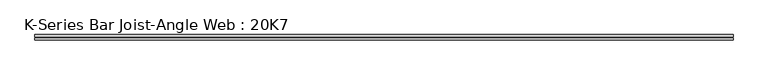
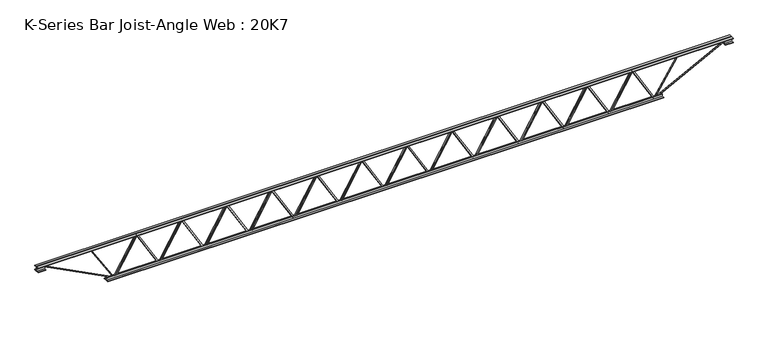
"""IFC4 building model written with IfcOpenShell, lengths in millimetres: beam geometry, K-Series Bar Joist-Angle Web : 20K7."""

from ifc_helpers import new_model, si_unit, frame, origin, place, context, project, spatial, polyline, outline, extrude, faceted_brep, source, transform, mapped, element, save


def k_series_bar_joist_angle_web_20k7_9dc09622(model_context):
    return source(origin(), model_context, "Body", "SolidModel", [
        extrude(outline(polyline([(-4.7625, 4.7625), (-4.7625, 0.0), (-17.4625, 0.0), (-17.4625, 4.7625), (-4.7625, 4.7625)])), frame((2931.0070269, 0.0, -215.9), z_axis=(-0.5066895930677895, 0.0, 0.8621285613391995), x_axis=(0.0, -1.0, 0.0)), (0.0, 0.0, 1.0), 500.8533754),
        extrude(outline(polyline([(-250.825, 2963.3333333), (-231.775, 2963.3333333), (-231.775, 2962.4335432), (250.825, 2678.8002099), (250.825, 2660.65), (231.775, 2660.65), (231.775, 2667.8997901), (-250.825, 2951.5331234), (-250.825, 2963.3333333)])), frame((0.0, 0.0, 0.0), z_axis=(0.0, 1.0, 0.0), x_axis=(0.0, 0.0, 1.0)), (0.0, 0.0, 1.0), 4.7625),
        faceted_brep([(2370.6666667, 0.0, -231.775), (2370.6666667, 0.0, -250.825), (2370.6666667, -4.7625, -250.825), (2370.6666667, -4.7625, -231.775), (2371.5664568, 0.0, -231.775), (2655.1997901, 0.0, 250.825), (2673.35, 0.0, 250.825), (2673.35, 0.0, 231.775), (2666.1002099, 0.0, 231.775), (2382.4668766, 0.0, -250.825), (2382.4668766, -4.7625, -250.825), (2402.9929731, -4.7625, -215.9), (2398.8870858, -4.7625, -213.4868908), (2652.6642788, -4.7625, 218.3131092), (2656.770166, -4.7625, 215.9), (2666.1002099, -4.7625, 231.775), (2673.35, -4.7625, 231.775), (2673.35, -4.7625, 250.825), (2655.1997901, -4.7625, 250.825), (2371.5664568, -4.7625, -231.775), (2656.770166, -17.4625, 215.9), (2402.9929731, -17.4625, -215.9), (2398.8870858, -17.4625, -213.4868908), (2652.6642788, -17.4625, 218.3131092)], [[[0, 1, 2, 3]], [[1, 0, 4, 5, 6, 7, 8, 9]], [[2, 1, 9, 10]], [[3, 2, 10, 11, 12, 13, 14, 15, 16, 17, 18, 19]], [[0, 3, 19, 4]], [[9, 8, 15, 14, 20, 21, 11, 10]], [[5, 4, 19, 18]], [[7, 6, 17, 16]], [[8, 7, 16, 15]], [[6, 5, 18, 17]], [[21, 22, 12, 11]], [[20, 14, 13, 23]], [[22, 21, 20, 23]], [[12, 22, 23, 13]]]),
        extrude(outline(polyline([(-4.7625, 4.7624999), (-4.7625, 0.0), (-17.4625, 0.0), (-17.4625, 4.7624999), (-4.7625, 4.7624999)])), frame((2338.3403603, 0.0, -215.9), z_axis=(-0.5066895930677895, 0.0, 0.8621285613391995), x_axis=(0.0, -1.0, 0.0)), (0.0, 0.0, 1.0), 500.8533754),
        extrude(outline(polyline([(-250.825, 2370.6666667), (-231.775, 2370.6666667), (-231.775, 2369.7668766), (250.825, 2086.1335432), (250.825, 2067.9833333), (231.775, 2067.9833333), (231.775, 2075.2331234), (-250.825, 2358.8664568), (-250.825, 2370.6666667)])), frame((0.0, 0.0, 0.0), z_axis=(0.0, 1.0, 0.0), x_axis=(0.0, 0.0, 1.0)), (0.0, 0.0, 1.0), 4.7625),
        faceted_brep([(1778.0, 0.0, -231.775), (1778.0, 0.0, -250.825), (1778.0, -4.7625, -250.825), (1778.0, -4.7625, -231.775), (1778.8997901, 0.0, -231.775), (2062.5331234, 0.0, 250.825), (2080.6833333, 0.0, 250.825), (2080.6833333, 0.0, 231.775), (2073.4335432, 0.0, 231.775), (1789.8002099, 0.0, -250.825), (1789.8002099, -4.7625, -250.825), (1810.3263064, -4.7625, -215.9), (1806.2204191, -4.7625, -213.4868908), (2059.9976121, -4.7625, 218.3131092), (2064.1034994, -4.7625, 215.9), (2073.4335432, -4.7625, 231.775), (2080.6833333, -4.7625, 231.775), (2080.6833333, -4.7625, 250.825), (2062.5331234, -4.7625, 250.825), (1778.8997901, -4.7625, -231.775), (2064.1034994, -17.4625, 215.9), (1810.3263064, -17.4625, -215.9), (1806.2204191, -17.4625, -213.4868908), (2059.9976121, -17.4625, 218.3131092)], [[[0, 1, 2, 3]], [[1, 0, 4, 5, 6, 7, 8, 9]], [[2, 1, 9, 10]], [[3, 2, 10, 11, 12, 13, 14, 15, 16, 17, 18, 19]], [[0, 3, 19, 4]], [[9, 8, 15, 14, 20, 21, 11, 10]], [[5, 4, 19, 18]], [[7, 6, 17, 16]], [[8, 7, 16, 15]], [[6, 5, 18, 17]], [[21, 22, 12, 11]], [[20, 14, 13, 23]], [[22, 21, 20, 23]], [[12, 22, 23, 13]]]),
        extrude(outline(polyline([(-4.7625, 4.7625), (-4.7625, 0.0), (-17.4625, 0.0), (-17.4625, 4.7625), (-4.7625, 4.7625)])), frame((1745.6736936, 0.0, -215.9), z_axis=(-0.5066895930677895, 0.0, 0.8621285613391995), x_axis=(0.0, -1.0, 0.0)), (0.0, 0.0, 1.0), 500.8533754),
        extrude(outline(polyline([(-250.825, 1778.0), (-231.775, 1778.0), (-231.775, 1777.1002099), (250.825, 1493.4668766), (250.825, 1475.3166667), (231.775, 1475.3166667), (231.775, 1482.5664568), (-250.825, 1766.1997901), (-250.825, 1778.0)])), frame((0.0, 0.0, 0.0), z_axis=(0.0, 1.0, 0.0), x_axis=(0.0, 0.0, 1.0)), (0.0, 0.0, 1.0), 4.7625),
        faceted_brep([(1185.3333333, 0.0, -231.775), (1185.3333333, 0.0, -250.825), (1185.3333333, -4.7625, -250.825), (1185.3333333, -4.7625, -231.775), (1186.2331234, 0.0, -231.775), (1469.8664568, 0.0, 250.825), (1488.0166667, 0.0, 250.825), (1488.0166667, 0.0, 231.775), (1480.7668766, 0.0, 231.775), (1197.1335432, 0.0, -250.825), (1197.1335432, -4.7625, -250.825), (1217.6596397, -4.7625, -215.9), (1213.5537525, -4.7625, -213.4868908), (1467.3309454, -4.7625, 218.3131092), (1471.4368327, -4.7625, 215.9), (1480.7668766, -4.7625, 231.775), (1488.0166667, -4.7625, 231.775), (1488.0166667, -4.7625, 250.825), (1469.8664568, -4.7625, 250.825), (1186.2331234, -4.7625, -231.775), (1471.4368327, -17.4625, 215.9), (1217.6596397, -17.4625, -215.9), (1213.5537525, -17.4625, -213.4868908), (1467.3309454, -17.4625, 218.3131092)], [[[0, 1, 2, 3]], [[1, 0, 4, 5, 6, 7, 8, 9]], [[2, 1, 9, 10]], [[3, 2, 10, 11, 12, 13, 14, 15, 16, 17, 18, 19]], [[0, 3, 19, 4]], [[9, 8, 15, 14, 20, 21, 11, 10]], [[5, 4, 19, 18]], [[7, 6, 17, 16]], [[8, 7, 16, 15]], [[6, 5, 18, 17]], [[21, 22, 12, 11]], [[20, 14, 13, 23]], [[22, 21, 20, 23]], [[12, 22, 23, 13]]]),
        extrude(outline(polyline([(-4.7625, 4.7625), (-4.7625, 0.0), (-17.4625, 0.0), (-17.4625, 4.7625), (-4.7625, 4.7625)])), frame((1153.0070269, 0.0, -215.9), z_axis=(-0.5066895930677895, 0.0, 0.8621285613391995), x_axis=(0.0, -1.0, 0.0)), (0.0, 0.0, 1.0), 500.8533754),
        extrude(outline(polyline([(-250.825, 1185.3333333), (-231.775, 1185.3333333), (-231.775, 1184.4335432), (250.825, 900.8002099), (250.825, 882.65), (231.775, 882.65), (231.775, 889.8997901), (-250.825, 1173.5331234), (-250.825, 1185.3333333)])), frame((0.0, 0.0, 0.0), z_axis=(0.0, 1.0, 0.0), x_axis=(0.0, 0.0, 1.0)), (0.0, 0.0, 1.0), 4.7625),
        faceted_brep([(592.6666667, 0.0, -231.775), (592.6666667, 0.0, -250.825), (592.6666667, -4.7625, -250.825), (592.6666667, -4.7625, -231.775), (593.5664568, 0.0, -231.775), (877.1997901, 0.0, 250.825), (895.35, 0.0, 250.825), (895.35, 0.0, 231.775), (888.1002099, 0.0, 231.775), (604.4668766, 0.0, -250.825), (604.4668766, -4.7625, -250.825), (624.9929731, -4.7625, -215.9), (620.8870858, -4.7625, -213.4868908), (874.6642788, -4.7625, 218.3131092), (878.770166, -4.7625, 215.9), (888.1002099, -4.7625, 231.775), (895.35, -4.7625, 231.775), (895.35, -4.7625, 250.825), (877.1997901, -4.7625, 250.825), (593.5664568, -4.7625, -231.775), (878.770166, -17.4625, 215.9), (624.9929731, -17.4625, -215.9), (620.8870858, -17.4625, -213.4868908), (874.6642788, -17.4625, 218.3131092)], [[[0, 1, 2, 3]], [[1, 0, 4, 5, 6, 7, 8, 9]], [[2, 1, 9, 10]], [[3, 2, 10, 11, 12, 13, 14, 15, 16, 17, 18, 19]], [[0, 3, 19, 4]], [[9, 8, 15, 14, 20, 21, 11, 10]], [[5, 4, 19, 18]], [[7, 6, 17, 16]], [[8, 7, 16, 15]], [[6, 5, 18, 17]], [[21, 22, 12, 11]], [[20, 14, 13, 23]], [[22, 21, 20, 23]], [[12, 22, 23, 13]]]),
        extrude(outline(polyline([(-4.7625, 4.7624999), (-4.7625, 0.0), (-17.4625, 0.0), (-17.4625, 4.7624999), (-4.7625, 4.7624999)])), frame((560.3403603, 0.0, -215.9), z_axis=(-0.5066895930677895, 0.0, 0.8621285613391995), x_axis=(0.0, -1.0, 0.0)), (0.0, 0.0, 1.0), 500.8533754),
        extrude(outline(polyline([(-250.825, 592.6666667), (-231.775, 592.6666667), (-231.775, 591.7668766), (250.825, 308.1335432), (250.825, 289.9833333), (231.775, 289.9833333), (231.775, 297.2331234), (-250.825, 580.8664568), (-250.825, 592.6666667)])), frame((0.0, 0.0, 0.0), z_axis=(0.0, 1.0, 0.0), x_axis=(0.0, 0.0, 1.0)), (0.0, 0.0, 1.0), 4.7625),
        faceted_brep([(0.0, 0.0, -231.775), (0.0, 0.0, -250.825), (0.0, -4.7625, -250.825), (0.0, -4.7625, -231.775), (0.8997901, 0.0, -231.775), (284.5331234, 0.0, 250.825), (302.6833333, 0.0, 250.825), (302.6833333, 0.0, 231.775), (295.4335432, 0.0, 231.775), (11.8002099, 0.0, -250.825), (11.8002099, -4.7625, -250.825), (32.3263064, -4.7625, -215.9), (28.2204191, -4.7625, -213.4868908), (281.9976121, -4.7625, 218.3131092), (286.1034994, -4.7625, 215.9), (295.4335432, -4.7625, 231.775), (302.6833333, -4.7625, 231.775), (302.6833333, -4.7625, 250.825), (284.5331234, -4.7625, 250.825), (0.8997901, -4.7625, -231.775), (286.1034994, -17.4625, 215.9), (32.3263064, -17.4625, -215.9), (28.2204191, -17.4625, -213.4868908), (281.9976121, -17.4625, 218.3131092)], [[[0, 1, 2, 3]], [[1, 0, 4, 5, 6, 7, 8, 9]], [[2, 1, 9, 10]], [[3, 2, 10, 11, 12, 13, 14, 15, 16, 17, 18, 19]], [[0, 3, 19, 4]], [[9, 8, 15, 14, 20, 21, 11, 10]], [[5, 4, 19, 18]], [[7, 6, 17, 16]], [[8, 7, 16, 15]], [[6, 5, 18, 17]], [[21, 22, 12, 11]], [[20, 14, 13, 23]], [[22, 21, 20, 23]], [[12, 22, 23, 13]]]),
        extrude(outline(polyline([(-4.7625, 4.7625), (-4.7625, 0.0), (-17.4625, 0.0), (-17.4625, 4.7625), (-4.7625, 4.7625)])), frame((-32.3263064, 0.0, -215.9), z_axis=(-0.5066895930677895, 0.0, 0.8621285613391995), x_axis=(0.0, -1.0, 0.0)), (0.0, 0.0, 1.0), 500.8533754),
        extrude(outline(polyline([(-250.825, 0.0), (-231.775, 0.0), (-231.775, -0.8997901), (250.825, -284.5331234), (250.825, -302.6833333), (231.775, -302.6833333), (231.775, -295.4335432), (-250.825, -11.8002099), (-250.825, 0.0)])), frame((0.0, 0.0, 0.0), z_axis=(0.0, 1.0, 0.0), x_axis=(0.0, 0.0, 1.0)), (0.0, 0.0, 1.0), 4.7625),
        faceted_brep([(-592.6666667, 0.0, -231.775), (-592.6666667, 0.0, -250.825), (-592.6666667, -4.7625, -250.825), (-592.6666667, -4.7625, -231.775), (-591.7668766, 0.0, -231.775), (-308.1335432, 0.0, 250.825), (-289.9833333, 0.0, 250.825), (-289.9833333, 0.0, 231.775), (-297.2331234, 0.0, 231.775), (-580.8664568, 0.0, -250.825), (-580.8664568, -4.7625, -250.825), (-560.3403603, -4.7625, -215.9), (-564.4462475, -4.7625, -213.4868908), (-310.6690546, -4.7625, 218.3131092), (-306.5631673, -4.7625, 215.9), (-297.2331234, -4.7625, 231.775), (-289.9833333, -4.7625, 231.775), (-289.9833333, -4.7625, 250.825), (-308.1335432, -4.7625, 250.825), (-591.7668766, -4.7625, -231.775), (-306.5631673, -17.4625, 215.9), (-560.3403603, -17.4625, -215.9), (-564.4462475, -17.4625, -213.4868908), (-310.6690546, -17.4625, 218.3131092)], [[[0, 1, 2, 3]], [[1, 0, 4, 5, 6, 7, 8, 9]], [[2, 1, 9, 10]], [[3, 2, 10, 11, 12, 13, 14, 15, 16, 17, 18, 19]], [[0, 3, 19, 4]], [[9, 8, 15, 14, 20, 21, 11, 10]], [[5, 4, 19, 18]], [[7, 6, 17, 16]], [[8, 7, 16, 15]], [[6, 5, 18, 17]], [[21, 22, 12, 11]], [[20, 14, 13, 23]], [[22, 21, 20, 23]], [[12, 22, 23, 13]]]),
        extrude(outline(polyline([(-4.7625, 4.7625), (-4.7625, 0.0), (-17.4625, 0.0), (-17.4625, 4.7625), (-4.7625, 4.7625)])), frame((-624.9929731, 0.0, -215.9), z_axis=(-0.5066895930677895, 0.0, 0.8621285613391995), x_axis=(0.0, -1.0, 0.0)), (0.0, 0.0, 1.0), 500.8533754),
        extrude(outline(polyline([(-250.825, -592.6666667), (-231.775, -592.6666667), (-231.775, -593.5664568), (250.825, -877.1997901), (250.825, -895.35), (231.775, -895.35), (231.775, -888.1002099), (-250.825, -604.4668766), (-250.825, -592.6666667)])), frame((0.0, 0.0, 0.0), z_axis=(0.0, 1.0, 0.0), x_axis=(0.0, 0.0, 1.0)), (0.0, 0.0, 1.0), 4.7625),
        faceted_brep([(-1185.3333333, 0.0, -231.775), (-1185.3333333, 0.0, -250.825), (-1185.3333333, -4.7625, -250.825), (-1185.3333333, -4.7625, -231.775), (-1184.4335432, 0.0, -231.775), (-900.8002099, 0.0, 250.825), (-882.65, 0.0, 250.825), (-882.65, 0.0, 231.775), (-889.8997901, 0.0, 231.775), (-1173.5331234, 0.0, -250.825), (-1173.5331234, -4.7625, -250.825), (-1153.0070269, -4.7625, -215.9), (-1157.1129142, -4.7625, -213.4868908), (-903.3357212, -4.7625, 218.3131092), (-899.229834, -4.7625, 215.9), (-889.8997901, -4.7625, 231.775), (-882.65, -4.7625, 231.775), (-882.65, -4.7625, 250.825), (-900.8002099, -4.7625, 250.825), (-1184.4335432, -4.7625, -231.775), (-899.229834, -17.4625, 215.9), (-1153.0070269, -17.4625, -215.9), (-1157.1129142, -17.4625, -213.4868908), (-903.3357212, -17.4625, 218.3131092)], [[[0, 1, 2, 3]], [[1, 0, 4, 5, 6, 7, 8, 9]], [[2, 1, 9, 10]], [[3, 2, 10, 11, 12, 13, 14, 15, 16, 17, 18, 19]], [[0, 3, 19, 4]], [[9, 8, 15, 14, 20, 21, 11, 10]], [[5, 4, 19, 18]], [[7, 6, 17, 16]], [[8, 7, 16, 15]], [[6, 5, 18, 17]], [[21, 22, 12, 11]], [[20, 14, 13, 23]], [[22, 21, 20, 23]], [[12, 22, 23, 13]]]),
        extrude(outline(polyline([(-4.7625, 4.7624999), (-4.7625, 0.0), (-17.4625, 0.0), (-17.4625, 4.7624999), (-4.7625, 4.7624999)])), frame((-1217.6596397, 0.0, -215.9), z_axis=(-0.5066895930677895, 0.0, 0.8621285613391995), x_axis=(0.0, -1.0, 0.0)), (0.0, 0.0, 1.0), 500.8533754),
        extrude(outline(polyline([(-250.825, -1185.3333333), (-231.775, -1185.3333333), (-231.775, -1186.2331234), (250.825, -1469.8664568), (250.825, -1488.0166667), (231.775, -1488.0166667), (231.775, -1480.7668766), (-250.825, -1197.1335432), (-250.825, -1185.3333333)])), frame((0.0, 0.0, 0.0), z_axis=(0.0, 1.0, 0.0), x_axis=(0.0, 0.0, 1.0)), (0.0, 0.0, 1.0), 4.7625),
        faceted_brep([(-1778.0, 0.0, -231.775), (-1778.0, 0.0, -250.825), (-1778.0, -4.7625, -250.825), (-1778.0, -4.7625, -231.775), (-1777.1002099, 0.0, -231.775), (-1493.4668766, 0.0, 250.825), (-1475.3166667, 0.0, 250.825), (-1475.3166667, 0.0, 231.775), (-1482.5664568, 0.0, 231.775), (-1766.1997901, 0.0, -250.825), (-1766.1997901, -4.7625, -250.825), (-1745.6736936, -4.7625, -215.9), (-1749.7795809, -4.7625, -213.4868908), (-1496.0023879, -4.7625, 218.3131092), (-1491.8965006, -4.7625, 215.9), (-1482.5664568, -4.7625, 231.775), (-1475.3166667, -4.7625, 231.775), (-1475.3166667, -4.7625, 250.825), (-1493.4668766, -4.7625, 250.825), (-1777.1002099, -4.7625, -231.775), (-1491.8965006, -17.4625, 215.9), (-1745.6736936, -17.4625, -215.9), (-1749.7795809, -17.4625, -213.4868908), (-1496.0023879, -17.4625, 218.3131092)], [[[0, 1, 2, 3]], [[1, 0, 4, 5, 6, 7, 8, 9]], [[2, 1, 9, 10]], [[3, 2, 10, 11, 12, 13, 14, 15, 16, 17, 18, 19]], [[0, 3, 19, 4]], [[9, 8, 15, 14, 20, 21, 11, 10]], [[5, 4, 19, 18]], [[7, 6, 17, 16]], [[8, 7, 16, 15]], [[6, 5, 18, 17]], [[21, 22, 12, 11]], [[20, 14, 13, 23]], [[22, 21, 20, 23]], [[12, 22, 23, 13]]]),
        extrude(outline(polyline([(-4.7625, 4.7625), (-4.7625, 0.0), (-17.4625, 0.0), (-17.4625, 4.7625), (-4.7625, 4.7625)])), frame((-1810.3263064, 0.0, -215.9), z_axis=(-0.5066895930677895, 0.0, 0.8621285613391995), x_axis=(0.0, -1.0, 0.0)), (0.0, 0.0, 1.0), 500.8533754),
        extrude(outline(polyline([(-250.825, -1778.0), (-231.775, -1778.0), (-231.775, -1778.8997901), (250.825, -2062.5331234), (250.825, -2080.6833333), (231.775, -2080.6833333), (231.775, -2073.4335432), (-250.825, -1789.8002099), (-250.825, -1778.0)])), frame((0.0, 0.0, 0.0), z_axis=(0.0, 1.0, 0.0), x_axis=(0.0, 0.0, 1.0)), (0.0, 0.0, 1.0), 4.7625),
        faceted_brep([(-2370.6666667, 0.0, -231.775), (-2370.6666667, 0.0, -250.825), (-2370.6666667, -4.7625, -250.825), (-2370.6666667, -4.7625, -231.775), (-2369.7668766, 0.0, -231.775), (-2086.1335432, 0.0, 250.825), (-2067.9833333, 0.0, 250.825), (-2067.9833333, 0.0, 231.775), (-2075.2331234, 0.0, 231.775), (-2358.8664568, 0.0, -250.825), (-2358.8664568, -4.7625, -250.825), (-2338.3403603, -4.7625, -215.9), (-2342.4462475, -4.7625, -213.4868908), (-2088.6690546, -4.7625, 218.3131092), (-2084.5631673, -4.7625, 215.9), (-2075.2331234, -4.7625, 231.775), (-2067.9833333, -4.7625, 231.775), (-2067.9833333, -4.7625, 250.825), (-2086.1335432, -4.7625, 250.825), (-2369.7668766, -4.7625, -231.775), (-2084.5631673, -17.4625, 215.9), (-2338.3403603, -17.4625, -215.9), (-2342.4462475, -17.4625, -213.4868908), (-2088.6690546, -17.4625, 218.3131092)], [[[0, 1, 2, 3]], [[1, 0, 4, 5, 6, 7, 8, 9]], [[2, 1, 9, 10]], [[3, 2, 10, 11, 12, 13, 14, 15, 16, 17, 18, 19]], [[0, 3, 19, 4]], [[9, 8, 15, 14, 20, 21, 11, 10]], [[5, 4, 19, 18]], [[7, 6, 17, 16]], [[8, 7, 16, 15]], [[6, 5, 18, 17]], [[21, 22, 12, 11]], [[20, 14, 13, 23]], [[22, 21, 20, 23]], [[12, 22, 23, 13]]]),
        extrude(outline(polyline([(-4.7625, 4.7625), (-4.7625, 0.0), (-17.4625, 0.0), (-17.4625, 4.7625), (-4.7625, 4.7625)])), frame((-2402.9929731, 0.0, -215.9), z_axis=(-0.5066895930677895, 0.0, 0.8621285613391995), x_axis=(0.0, -1.0, 0.0)), (0.0, 0.0, 1.0), 500.8533754),
        extrude(outline(polyline([(-250.825, -2370.6666667), (-231.775, -2370.6666667), (-231.775, -2371.5664568), (250.825, -2655.1997901), (250.825, -2673.35), (231.775, -2673.35), (231.775, -2666.1002099), (-250.825, -2382.4668766), (-250.825, -2370.6666667)])), frame((0.0, 0.0, 0.0), z_axis=(0.0, 1.0, 0.0), x_axis=(0.0, 0.0, 1.0)), (0.0, 0.0, 1.0), 4.7625),
        faceted_brep([(-2963.3333333, 0.0, -231.775), (-2963.3333333, 0.0, -250.825), (-2963.3333333, -4.7625, -250.825), (-2963.3333333, -4.7625, -231.775), (-2962.4335432, 0.0, -231.775), (-2678.8002099, 0.0, 250.825), (-2660.65, 0.0, 250.825), (-2660.65, 0.0, 231.775), (-2667.8997901, 0.0, 231.775), (-2951.5331234, 0.0, -250.825), (-2951.5331234, -4.7625, -250.825), (-2931.0070269, -4.7625, -215.9), (-2935.1129142, -4.7625, -213.4868908), (-2681.3357212, -4.7625, 218.3131092), (-2677.229834, -4.7625, 215.9), (-2667.8997901, -4.7625, 231.775), (-2660.65, -4.7625, 231.775), (-2660.65, -4.7625, 250.825), (-2678.8002099, -4.7625, 250.825), (-2962.4335432, -4.7625, -231.775), (-2677.229834, -17.4625, 215.9), (-2931.0070269, -17.4625, -215.9), (-2935.1129142, -17.4625, -213.4868908), (-2681.3357212, -17.4625, 218.3131092)], [[[0, 1, 2, 3]], [[1, 0, 4, 5, 6, 7, 8, 9]], [[2, 1, 9, 10]], [[3, 2, 10, 11, 12, 13, 14, 15, 16, 17, 18, 19]], [[0, 3, 19, 4]], [[9, 8, 15, 14, 20, 21, 11, 10]], [[5, 4, 19, 18]], [[7, 6, 17, 16]], [[8, 7, 16, 15]], [[6, 5, 18, 17]], [[21, 22, 12, 11]], [[20, 14, 13, 23]], [[22, 21, 20, 23]], [[12, 22, 23, 13]]]),
        extrude(outline(polyline([(-4.7625, 4.7625), (-4.7625, 0.0), (-17.4625, 0.0), (-17.4625, 4.7625), (-4.7625, 4.7625)])), frame((3523.6736936, 0.0, -215.9), z_axis=(-0.5066895930677895, 0.0, 0.8621285613391995), x_axis=(0.0, -1.0, 0.0)), (0.0, 0.0, 1.0), 500.8533754),
        extrude(outline(polyline([(-250.825, 3556.0), (-231.775, 3556.0), (-231.775, 3555.1002099), (250.825, 3271.4668766), (250.825, 3253.3166667), (231.775, 3253.3166667), (231.775, 3260.5664568), (-250.825, 3544.1997901), (-250.825, 3556.0)])), frame((0.0, 0.0, 0.0), z_axis=(0.0, 1.0, 0.0), x_axis=(0.0, 0.0, 1.0)), (0.0, 0.0, 1.0), 4.7625),
        faceted_brep([(2963.3333333, 0.0, -231.775), (2963.3333333, 0.0, -250.825), (2963.3333333, -4.7625, -250.825), (2963.3333333, -4.7625, -231.775), (2964.2331234, 0.0, -231.775), (3247.8664568, 0.0, 250.825), (3266.0166667, 0.0, 250.825), (3266.0166667, 0.0, 231.775), (3258.7668766, 0.0, 231.775), (2975.1335432, 0.0, -250.825), (2975.1335432, -4.7625, -250.825), (2995.6596397, -4.7625, -215.9), (2991.5537525, -4.7625, -213.4868908), (3245.3309454, -4.7625, 218.3131092), (3249.4368327, -4.7625, 215.9), (3258.7668766, -4.7625, 231.775), (3266.0166667, -4.7625, 231.775), (3266.0166667, -4.7625, 250.825), (3247.8664568, -4.7625, 250.825), (2964.2331234, -4.7625, -231.775), (3249.4368327, -17.4625, 215.9), (2995.6596397, -17.4625, -215.9), (2991.5537525, -17.4625, -213.4868908), (3245.3309454, -17.4625, 218.3131092)], [[[0, 1, 2, 3]], [[1, 0, 4, 5, 6, 7, 8, 9]], [[2, 1, 9, 10]], [[3, 2, 10, 11, 12, 13, 14, 15, 16, 17, 18, 19]], [[0, 3, 19, 4]], [[9, 8, 15, 14, 20, 21, 11, 10]], [[5, 4, 19, 18]], [[7, 6, 17, 16]], [[8, 7, 16, 15]], [[6, 5, 18, 17]], [[21, 22, 12, 11]], [[20, 14, 13, 23]], [[22, 21, 20, 23]], [[12, 22, 23, 13]]]),
        extrude(outline(polyline([(-4.7625, 4.7624999), (-4.7625, 0.0), (-17.4625, 0.0), (-17.4625, 4.7624999), (-4.7625, 4.7624999)])), frame((-2995.6596397, 0.0, -215.9), z_axis=(-0.5066895930677895, 0.0, 0.8621285613391995), x_axis=(0.0, -1.0, 0.0)), (0.0, 0.0, 1.0), 500.8533754),
        extrude(outline(polyline([(-250.825, -2963.3333333), (-231.775, -2963.3333333), (-231.775, -2964.2331234), (250.825, -3247.8664568), (250.825, -3266.0166667), (231.775, -3266.0166667), (231.775, -3258.7668766), (-250.825, -2975.1335432), (-250.825, -2963.3333333)])), frame((0.0, 0.0, 0.0), z_axis=(0.0, 1.0, 0.0), x_axis=(0.0, 0.0, 1.0)), (0.0, 0.0, 1.0), 4.7625),
        faceted_brep([(-3556.0, 0.0, -231.775), (-3556.0, 0.0, -250.825), (-3556.0, -4.7625, -250.825), (-3556.0, -4.7625, -231.775), (-3555.1002099, 0.0, -231.775), (-3271.4668766, 0.0, 250.825), (-3253.3166667, 0.0, 250.825), (-3253.3166667, 0.0, 231.775), (-3260.5664568, 0.0, 231.775), (-3544.1997901, 0.0, -250.825), (-3544.1997901, -4.7625, -250.825), (-3523.6736936, -4.7625, -215.9), (-3527.7795809, -4.7625, -213.4868908), (-3274.0023879, -4.7625, 218.3131092), (-3269.8965006, -4.7625, 215.9), (-3260.5664568, -4.7625, 231.775), (-3253.3166667, -4.7625, 231.775), (-3253.3166667, -4.7625, 250.825), (-3271.4668766, -4.7625, 250.825), (-3555.1002099, -4.7625, -231.775), (-3269.8965006, -17.4625, 215.9), (-3523.6736936, -17.4625, -215.9), (-3527.7795809, -17.4625, -213.4868908), (-3274.0023879, -17.4625, 218.3131092)], [[[0, 1, 2, 3]], [[1, 0, 4, 5, 6, 7, 8, 9]], [[2, 1, 9, 10]], [[3, 2, 10, 11, 12, 13, 14, 15, 16, 17, 18, 19]], [[0, 3, 19, 4]], [[9, 8, 15, 14, 20, 21, 11, 10]], [[5, 4, 19, 18]], [[7, 6, 17, 16]], [[8, 7, 16, 15]], [[6, 5, 18, 17]], [[21, 22, 12, 11]], [[20, 14, 13, 23]], [[22, 21, 20, 23]], [[12, 22, 23, 13]]]),
        extrude(outline(polyline([(4.7625, 254.0), (36.5125, 254.0), (36.5125, 247.65), (11.1125, 247.65), (11.1125, 222.25), (4.7625, 222.25), (4.7625, 254.0)])), frame((-4572.0, 0.0, 0.0), z_axis=(1.0, 0.0, 0.0), x_axis=(0.0, 1.0, 0.0)), (0.0, 0.0, 1.0), 9144.0),
        extrude(outline(polyline([(-4.7625, 254.0), (-4.7625, 222.25), (-11.1125, 222.25), (-11.1125, 247.65), (-36.5125, 247.65), (-36.5125, 254.0), (-4.7625, 254.0)])), frame((-4572.0, 0.0, 0.0), z_axis=(1.0, 0.0, 0.0), x_axis=(0.0, 1.0, 0.0)), (0.0, 0.0, 1.0), 9144.0),
        extrude(outline(polyline([(-4.7625, 190.5), (-36.5125, 190.5), (-36.5125, 196.85), (-11.1125, 196.85), (-11.1125, 222.25), (-4.7625, 222.25), (-4.7625, 190.5)])), frame((-4572.0, 0.0, 0.0), z_axis=(1.0, 0.0, 0.0), x_axis=(0.0, 1.0, 0.0)), (0.0, 0.0, 1.0), 101.6),
        extrude(outline(polyline([(36.5125, 190.5), (4.7625, 190.5), (4.7625, 222.25), (11.1125, 222.25), (11.1125, 196.85), (36.5125, 196.85), (36.5125, 190.5)])), frame((-4572.0, 0.0, 0.0), z_axis=(1.0, 0.0, 0.0), x_axis=(0.0, 1.0, 0.0)), (0.0, 0.0, 1.0), 101.6),
        extrude(outline(polyline([(4.7625, 190.5), (4.7625, 222.25), (11.1125, 222.25), (11.1125, 196.85), (36.5125, 196.85), (36.5125, 190.5), (4.7625, 190.5)])), frame((4470.4, 0.0, 0.0), z_axis=(1.0, 0.0, 0.0), x_axis=(0.0, 1.0, 0.0)), (0.0, 0.0, 1.0), 101.6),
        extrude(outline(polyline([(-4.7625, 190.5), (-36.5125, 190.5), (-36.5125, 196.85), (-11.1125, 196.85), (-11.1125, 222.25), (-4.7625, 222.25), (-4.7625, 190.5)])), frame((4470.4, 0.0, 0.0), z_axis=(1.0, 0.0, 0.0), x_axis=(0.0, 1.0, 0.0)), (0.0, 0.0, 1.0), 101.6),
        extrude(outline(polyline([(4.7625, -254.0), (4.7625, -222.25), (11.1125, -222.25), (11.1125, -247.65), (36.5125, -247.65), (36.5125, -254.0), (4.7625, -254.0)])), frame((-3657.6, 0.0, 0.0), z_axis=(1.0, 0.0, 0.0), x_axis=(0.0, 1.0, 0.0)), (0.0, 0.0, 1.0), 7315.2),
        extrude(outline(polyline([(-4.7625, -254.0), (-36.5125, -254.0), (-36.5125, -247.65), (-11.1125, -247.65), (-11.1125, -222.25), (-4.7625, -222.25), (-4.7625, -254.0)])), frame((-3657.6, 0.0, 0.0), z_axis=(1.0, 0.0, 0.0), x_axis=(0.0, 1.0, 0.0)), (0.0, 0.0, 1.0), 7315.2),
        extrude(outline(polyline([(4.7625, 4.7625), (4.7625, -4.7625), (-4.7625, -4.7625), (-4.7625, 4.7625), (4.7625, 4.7625)])), frame((3556.0, 0.0, -247.65), z_axis=(0.5334194615243448, 0.0, 0.845850860416349), x_axis=(0.0, -1.0, 0.0)), (0.0, 0.0, 1.0), 555.5352864),
        extrude(outline(polyline([(4.7625, 4.7625), (4.7625, -4.7625), (-4.7625, -4.7625), (-4.7625, 4.7625), (4.7625, 4.7625)])), frame((-3556.0, 0.0, -247.65), z_axis=(-0.5334194615243233, 0.0, 0.8458508604163627), x_axis=(0.0, -1.0, 0.0)), (0.0, 0.0, 1.0), 555.5352864),
        extrude(outline(polyline([(0.0, -9.525), (0.0, 0.0), (1028.0726482, 0.0), (1028.0726482, -9.525), (0.0, -9.525)])), frame((4472.5767905, -4.7625, 218.0140834), z_axis=(-0.4570688665020413, 0.0, 0.8894313077885999), x_axis=(-0.8894313077885999, 0.0, -0.4570688665020413)), (0.0, 0.0, 1.0), 9.525),
        extrude(outline(polyline([(0.0, -9.525), (0.0, 0.0), (1028.0726482, 0.0), (1028.0726482, -9.525), (0.0, -9.525)])), frame((-4472.5767905, 4.7625, 218.0140834), z_axis=(0.45706886650204037, 0.0, 0.8894313077886005), x_axis=(0.8894313077886005, 0.0, -0.45706886650204037)), (0.0, 0.0, 1.0), 9.525),
    ])


if __name__ == "__main__":
    model = new_model("IFC4")
    model_context = context("Model", 3, world=origin())
    ifc_project = project(units=[si_unit("LENGTHUNIT", "METRE", prefix="MILLI")], contexts=[model_context])
    site = spatial("IfcSite", under=ifc_project)
    building = spatial("IfcBuilding", under=site)
    placement = place(None, origin())
    k_series_bar_joist_angle_web_20k7_shape = k_series_bar_joist_angle_web_20k7_9dc09622(model_context)
    element("IfcBeam", 1, ObjectType="K-Series Bar Joist-Angle Web : 20K7", at=placement, inside=building, context=model_context, shape_type="MappedRepresentation", body=[
        mapped(k_series_bar_joist_angle_web_20k7_shape, transform((0.0, 0.0, 0.0), x_axis=(1.0, 0.0, 0.0), y_axis=(0.0, 1.0, 0.0), z_axis=(0.0, 0.0, 1.0))),
    ])
    save(model, "model.ifc")
